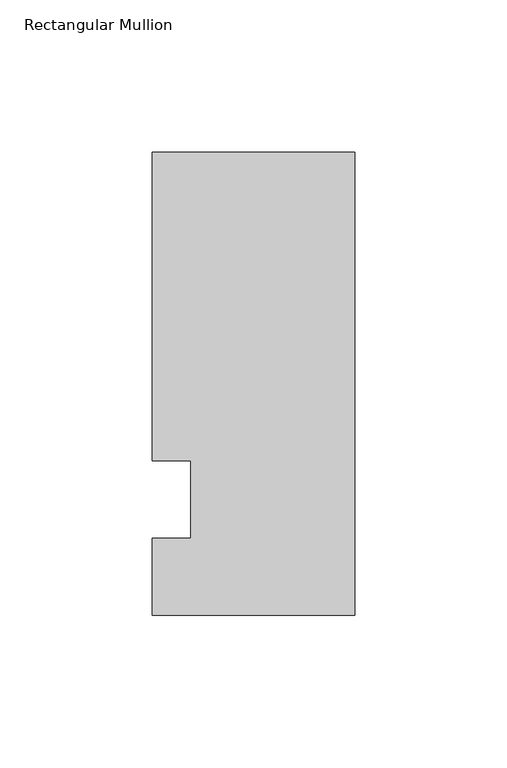
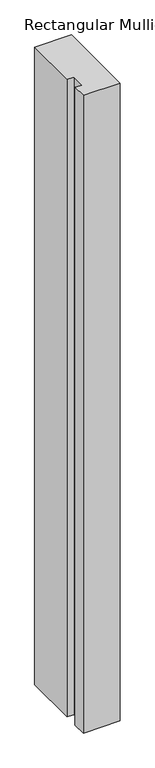
"""IFC4 building model written with IfcOpenShell, lengths in millimetres: member geometry, Rectangular Mullion."""

from ifc_helpers import new_model, si_unit, frame, origin, place, context, project, spatial, polyline, outline, extrude, source, transform, mapped, element, save


def rectangular_mullion_99039402(model_context):
    return source(origin(), model_context, "Body", "SweptSolid", [
        extrude(outline(polyline([(-66.675, 114.3), (0.0, 114.3), (0.0, -38.1), (-66.675, -38.1), (-66.675, -12.7), (-53.9732296, -12.7), (-53.9732296, 12.7), (-66.675, 12.7), (-66.675, 114.3)])), frame((0.0, 0.0, -1219.2), z_axis=(0.0, 0.0, 1.0), x_axis=(1.0, 0.0, 0.0)), (0.0, 0.0, 1.0), 1219.2),
    ])


if __name__ == "__main__":
    model = new_model("IFC4")
    model_context = context("Model", 3, world=origin())
    ifc_project = project(units=[si_unit("LENGTHUNIT", "METRE", prefix="MILLI")], contexts=[model_context])
    site = spatial("IfcSite", under=ifc_project)
    building = spatial("IfcBuilding", under=site)
    placement = place(None, origin())
    rectangular_mullion_shape = rectangular_mullion_99039402(model_context)
    element("IfcMember", 1, ObjectType="Rectangular Mullion", at=placement, inside=building, context=model_context, shape_type="MappedRepresentation", body=[
        mapped(rectangular_mullion_shape, transform((0.0, 0.0, 0.0), x_axis=(1.0, 0.0, 0.0), y_axis=(0.0, 1.0, 0.0), z_axis=(0.0, 0.0, 1.0))),
    ])
    save(model, "model.ifc")
